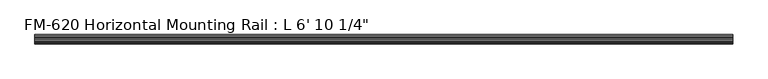
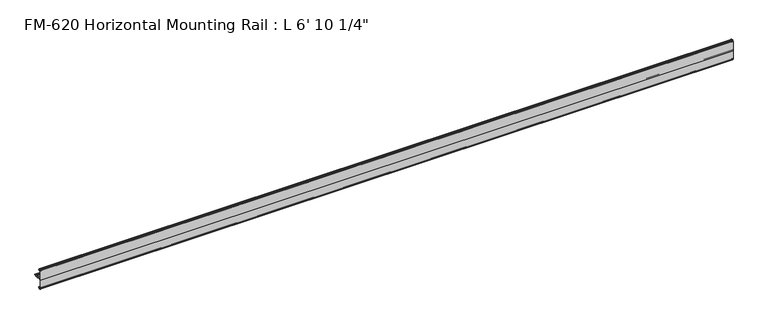
"""IFC4 building model written with IfcOpenShell, lengths in millimetres: proxy geometry."""

from ifc_helpers import new_model, si_unit, frame, origin, place, context, project, spatial, polyline, circle_curve, source, transform, mapped, element, save
from ifc_brep_helpers import plane_surface, cylinder_surface, revolved_surface, advanced_brep


def proxy_751d2241(model_context):
    return source(origin(), model_context, "Body", "AdvancedBrep", [
        advanced_brep(
        [(2089.15, -13.6400687, 32.1158903), (2089.15, -15.4750158, 32.6885982), (2089.15, -16.1549378, 32.2686835), (2089.15, -16.1549378, 30.7270734), (2089.15, -17.7424378, 29.1395734), (2089.15, -19.05, 29.1395734), (2089.15, -19.05, 0.0), (2089.15, -19.05, -27.5520734), (2089.15, -17.7424378, -27.5520734), (2089.15, -16.1549378, -29.1395734), (2089.15, -16.1549378, -30.6811835), (2089.15, -15.4750158, -31.1010982), (2089.15, -13.6400687, -30.5283903), (2089.15, -11.9462301, -29.2063136), (2089.15, -13.6400687, -24.7092369), (2089.15, -15.4364113, -24.1485779), (2089.15, -16.1779173, -24.8263515), (2089.15, -16.9376166, -25.7737928), (2089.15, -17.4625, -25.2660734), (2089.15, -17.4625, -14.0784614), (2089.15, -17.9716639, -13.1610418), (2089.15, -17.9716639, -11.820881), (2089.15, -17.4625, -10.9034614), (2089.15, -17.4625, -1.9277595), (2089.15, -15.5575, -0.0227595), (2089.15, -5.2021324, -0.0227595), (2089.15, -2.0526969, 0.0), (2089.15, 2.484295, 0.0), (2089.15, 5.633895, 0.0), (2089.15, 9.5043031, 0.0), (2089.15, 9.5043031, 1.5948531), (2089.15, 5.633895, 1.5948531), (2089.15, 2.484295, 1.5948531), (2089.15, -2.0525552, 1.5948531), (2089.15, -5.2023289, 1.5948531), (2089.15, -15.5546988, 1.5948531), (2089.15, -17.4681023, 3.5082566), (2089.15, -17.4681023, 12.4909614), (2089.15, -17.9716639, 13.408381), (2089.15, -17.9716639, 14.7485418), (2089.15, -17.4625, 15.6659614), (2089.15, -17.4625, 26.8535734), (2089.15, -16.9376166, 27.3612928), (2089.15, -16.1779173, 26.4138515), (2089.15, -15.4364113, 25.7360779), (2089.15, -13.6400687, 26.2967369), (2089.15, -11.9462301, 30.7938136), (0.0, -13.6400687, 32.1158903), (0.0, -11.9462301, 30.7938136), (0.0, -13.6400687, 26.2967369), (0.0, -15.4364113, 25.7360779), (0.0, -16.1779173, 26.4138515), (0.0, -16.9376166, 27.3612928), (0.0, -17.4625, 26.8535734), (0.0, -17.4625, 15.6659614), (0.0, -17.9716639, 14.7485418), (0.0, -17.9716639, 13.408381), (0.0, -17.4681023, 12.4909614), (0.0, -17.4681023, 3.5082566), (0.0, -15.5546988, 1.5948531), (0.0, -5.2023289, 1.5948531), (0.0, -2.0525552, 1.5948531), (0.0, 2.484295, 1.5948531), (0.0, 5.633895, 1.5948531), (0.0, 9.5043031, 1.5948531), (0.0, 9.5043031, 0.0), (0.0, 5.633895, 0.0), (0.0, 2.484295, 0.0), (0.0, -2.0526969, 0.0), (0.0, -5.2022969, 0.0), (0.0, -15.5575, -0.0227595), (0.0, -17.4625, -1.9277595), (0.0, -17.4625, -10.9034614), (0.0, -17.9716639, -11.820881), (0.0, -17.9716639, -13.1610418), (0.0, -17.4625, -14.0784614), (0.0, -17.4625, -25.2660734), (0.0, -16.9376166, -25.7737928), (0.0, -16.1779173, -24.8263515), (0.0, -15.4364113, -24.1485779), (0.0, -13.6400687, -24.7092369), (0.0, -11.9462301, -29.2063136), (0.0, -13.6400687, -30.5283903), (0.0, -15.4750158, -31.1010982), (0.0, -16.1549378, -30.6811835), (0.0, -16.1549378, -29.1395734), (0.0, -17.7424378, -27.5520734), (0.0, -19.05, -27.5520734), (0.0, -19.05, 0.0), (0.0, -19.05, 29.1395734), (0.0, -17.7424378, 29.1395734), (0.0, -16.1549378, 30.7270734), (0.0, -16.1549378, 32.2686835), (0.0, -15.4750158, 32.6885982)],
        [
            (0, 1),
            (1, 2, circle_curve(frame((2089.15, -15.6853088, 32.2686835), z_axis=(1.0, 0.0, 0.0), x_axis=(0.0, 1.0, 0.0)), 0.4696291)),
            (2, 3),
            (3, 4, circle_curve(frame((2089.15, -17.7424378, 30.7270734), z_axis=(-1.0, 0.0, 0.0), x_axis=(0.0, 1.0, 0.0)), 1.5875)),
            (4, 5),
            (5, 6),
            (6, 7),
            (7, 8),
            (8, 9, circle_curve(frame((2089.15, -17.7424378, -29.1395734), z_axis=(-1.0, 0.0, 0.0), x_axis=(0.0, 1.0, 0.0)), 1.5875)),
            (9, 10),
            (10, 11, circle_curve(frame((2089.15, -15.6853088, -30.6811835), z_axis=(1.0, 0.0, 0.0), x_axis=(0.0, 1.0, 0.0)), 0.4696291)),
            (11, 12),
            (12, 13, circle_curve(frame((2089.15, -14.5481808, -27.6188136), z_axis=(1.0, 0.0, 0.0), x_axis=(0.0, 1.0, 0.0)), 3.048)),
            (13, 14, circle_curve(frame((2089.15, -14.5481808, -27.6188136), z_axis=(1.0, 0.0, 0.0), x_axis=(0.0, 1.0, 0.0)), 3.048)),
            (14, 15),
            (15, 16, circle_curve(frame((2089.15, -15.6245238, -24.6872792), z_axis=(1.0, 0.0, 0.0), x_axis=(0.0, 1.0, 0.0)), 0.5706009)),
            (16, 17, circle_curve(frame((2089.15, -16.9169378, -25.0120734), z_axis=(-1.0, 0.0, 0.0), x_axis=(0.0, 1.0, 0.0)), 0.762)),
            (17, 18, circle_curve(frame((2089.15, -16.9545, -25.2660734), z_axis=(-1.0, 0.0, 0.0), x_axis=(0.0, 1.0, 0.0)), 0.508)),
            (18, 19),
            (19, 20),
            (20, 21),
            (21, 22),
            (22, 23),
            (23, 24, circle_curve(frame((2089.15, -15.5575, -1.9277595), z_axis=(-1.0, 0.0, 0.0), x_axis=(0.0, 1.0, 0.0)), 1.905)),
            (24, 25),
            (25, 26, circle_curve(frame((2089.15, -3.6274969, 0.0), z_axis=(1.0, 0.0, 0.0), x_axis=(0.0, 1.0, 0.0)), 1.5748)),
            (26, 27),
            (27, 28, circle_curve(frame((2089.15, 4.059095, 0.0), z_axis=(1.0, 0.0, 0.0), x_axis=(0.0, 1.0, 0.0)), 1.5748)),
            (28, 29),
            (29, 30),
            (30, 31),
            (31, 32, circle_curve(frame((2089.15, 4.059095, 1.5948531), z_axis=(1.0, 0.0, 0.0), x_axis=(0.0, 1.0, 0.0)), 1.5748)),
            (32, 33),
            (33, 34, circle_curve(frame((2089.15, -3.627442, 1.5948531), z_axis=(1.0, 0.0, 0.0), x_axis=(0.0, 1.0, 0.0)), 1.5748869)),
            (34, 35),
            (35, 36, circle_curve(frame((2089.15, -15.5546988, 3.5082566), z_axis=(-1.0, 0.0, 0.0), x_axis=(0.0, 1.0, 0.0)), 1.9134035)),
            (36, 37),
            (37, 38),
            (38, 39),
            (39, 40),
            (40, 41),
            (41, 42, circle_curve(frame((2089.15, -16.9545, 26.8535734), z_axis=(-1.0, 0.0, 0.0), x_axis=(0.0, 1.0, 0.0)), 0.508)),
            (42, 43, circle_curve(frame((2089.15, -16.9169378, 26.5995734), z_axis=(-1.0, 0.0, 0.0), x_axis=(0.0, 1.0, 0.0)), 0.762)),
            (43, 44, circle_curve(frame((2089.15, -15.6245238, 26.2747792), z_axis=(1.0, 0.0, 0.0), x_axis=(0.0, 1.0, 0.0)), 0.5706009)),
            (44, 45),
            (45, 46, circle_curve(frame((2089.15, -14.5481808, 29.2063136), z_axis=(1.0, 0.0, 0.0), x_axis=(0.0, 1.0, 0.0)), 3.048)),
            (46, 0, circle_curve(frame((2089.15, -14.5481808, 29.2063136), z_axis=(1.0, 0.0, 0.0), x_axis=(0.0, 1.0, 0.0)), 3.048)),
            (47, 48, circle_curve(frame((0.0, -14.5481808, 29.2063136), z_axis=(-1.0, 0.0, 0.0), x_axis=(0.0, 1.0, 0.0)), 3.048)),
            (48, 49, circle_curve(frame((0.0, -14.5481808, 29.2063136), z_axis=(-1.0, 0.0, 0.0), x_axis=(0.0, 1.0, 0.0)), 3.048)),
            (49, 50),
            (50, 51, circle_curve(frame((0.0, -15.6245238, 26.2747792), z_axis=(-1.0, 0.0, 0.0), x_axis=(0.0, 1.0, 0.0)), 0.5706009)),
            (51, 52, circle_curve(frame((0.0, -16.9169378, 26.5995734), z_axis=(1.0, 0.0, 0.0), x_axis=(0.0, 1.0, 0.0)), 0.762)),
            (52, 53, circle_curve(frame((0.0, -16.9545, 26.8535734), z_axis=(1.0, 0.0, 0.0), x_axis=(0.0, 1.0, 0.0)), 0.508)),
            (53, 54),
            (54, 55),
            (55, 56),
            (56, 57),
            (57, 58),
            (58, 59, circle_curve(frame((0.0, -15.5546988, 3.5082566), z_axis=(1.0, 0.0, 0.0), x_axis=(0.0, 1.0, 0.0)), 1.9134035)),
            (59, 60),
            (60, 61, circle_curve(frame((0.0, -3.627442, 1.5948531), z_axis=(-1.0, 0.0, 0.0), x_axis=(0.0, 1.0, 0.0)), 1.5748869)),
            (61, 62),
            (62, 63, circle_curve(frame((0.0, 4.059095, 1.5948531), z_axis=(-1.0, 0.0, 0.0), x_axis=(0.0, 1.0, 0.0)), 1.5748)),
            (63, 64),
            (64, 65),
            (65, 66),
            (66, 67, circle_curve(frame((0.0, 4.059095, 0.0), z_axis=(-1.0, 0.0, 0.0), x_axis=(0.0, 1.0, 0.0)), 1.5748)),
            (67, 68),
            (68, 69, circle_curve(frame((0.0, -3.6274969, 0.0), z_axis=(-1.0, 0.0, 0.0), x_axis=(0.0, 1.0, 0.0)), 1.5748)),
            (69, 70),
            (70, 71, circle_curve(frame((0.0, -15.5575, -1.9277595), z_axis=(1.0, 0.0, 0.0), x_axis=(0.0, 1.0, 0.0)), 1.905)),
            (71, 72),
            (72, 73),
            (73, 74),
            (74, 75),
            (75, 76),
            (76, 77, circle_curve(frame((0.0, -16.9545, -25.2660734), z_axis=(1.0, 0.0, 0.0), x_axis=(0.0, 1.0, 0.0)), 0.508)),
            (77, 78, circle_curve(frame((0.0, -16.9169378, -25.0120734), z_axis=(1.0, 0.0, 0.0), x_axis=(0.0, 1.0, 0.0)), 0.762)),
            (78, 79, circle_curve(frame((0.0, -15.6245238, -24.6872792), z_axis=(-1.0, 0.0, 0.0), x_axis=(0.0, 1.0, 0.0)), 0.5706009)),
            (79, 80),
            (80, 81, circle_curve(frame((0.0, -14.5481808, -27.6188136), z_axis=(-1.0, 0.0, 0.0), x_axis=(0.0, 1.0, 0.0)), 3.048)),
            (81, 82, circle_curve(frame((0.0, -14.5481808, -27.6188136), z_axis=(-1.0, 0.0, 0.0), x_axis=(0.0, 1.0, 0.0)), 3.048)),
            (82, 83),
            (83, 84, circle_curve(frame((0.0, -15.6853088, -30.6811835), z_axis=(-1.0, 0.0, 0.0), x_axis=(0.0, 1.0, 0.0)), 0.4696291)),
            (84, 85),
            (85, 86, circle_curve(frame((0.0, -17.7424378, -29.1395734), z_axis=(1.0, 0.0, 0.0), x_axis=(0.0, 1.0, 0.0)), 1.5875)),
            (86, 87),
            (87, 88),
            (88, 89),
            (89, 90),
            (90, 91, circle_curve(frame((0.0, -17.7424378, 30.7270734), z_axis=(1.0, 0.0, 0.0), x_axis=(0.0, 1.0, 0.0)), 1.5875)),
            (91, 92),
            (92, 93, circle_curve(frame((0.0, -15.6853088, 32.2686835), z_axis=(-1.0, 0.0, 0.0), x_axis=(0.0, 1.0, 0.0)), 0.4696291)),
            (93, 47),
            (93, 1),
            (0, 47),
            (92, 2),
            (91, 3),
            (90, 4),
            (89, 5),
            (88, 6),
            (58, 36),
            (35, 59),
            (57, 37),
            (56, 38),
            (55, 39),
            (54, 40),
            (53, 41),
            (52, 42),
            (51, 43),
            (50, 44),
            (49, 45),
            (48, 46),
            (61, 33),
            (32, 62),
            (87, 7),
            (86, 8),
            (85, 9),
            (84, 10),
            (83, 11),
            (82, 12),
            (81, 13),
            (80, 14),
            (79, 15),
            (78, 16),
            (77, 17),
            (76, 18),
            (75, 19),
            (74, 20),
            (73, 21),
            (72, 22),
            (71, 23),
            (70, 24),
            (69, 25),
            (67, 27),
            (26, 68),
            (34, 60),
            (66, 28),
            (65, 29),
            (64, 30),
            (63, 31),
        ],
        [
            plane_surface(frame((2089.15, -13.6400687, 32.1158903), z_axis=(1.0000000000000002, 0.0, 0.0), x_axis=(0.0, 0.9545855229405112, -0.29793703930929905))),
            plane_surface(frame((0.0, -13.6400687, 32.1158903), z_axis=(-1.0000000000000002, 0.0, 0.0), x_axis=(0.0, -0.9545855229405112, 0.29793703930929905))),
            plane_surface(frame((0.0, -13.6400687, 32.1158903), z_axis=(0.0, 0.29793703930929905, 0.9545855229405112), x_axis=(1.0, 0.0, 0.0))),
            cylinder_surface(frame((2089.15, -15.6853088, 32.2686835), z_axis=(-1.0, 0.0, 0.0), x_axis=(0.0, 1.0, 0.0)), 0.4696291),
            plane_surface(frame((0.0, -16.1549378, 32.2686835), z_axis=(0.0, -1.0, 0.0), x_axis=(1.0, 0.0, 0.0))),
            revolved_surface(polyline([(2089.15, -16.154937800000003, 30.7270734), (0.0, -16.154937800000003, 30.7270734)]), (2089.15, -17.7424378, 30.7270734), (1.0, 0.0, 0.0)),
            plane_surface(frame((0.0, -17.7424378, 29.1395734), z_axis=(0.0, 0.0, 1.0), x_axis=(1.0, 0.0, 0.0))),
            plane_surface(frame((0.0, -19.05, 29.1395734), z_axis=(0.0, -1.0, 0.0), x_axis=(1.0, 0.0, 0.0))),
            revolved_surface(polyline([(2089.15, -13.641295300000001, 3.5082566), (0.0, -13.641295300000001, 3.5082566)]), (2089.15, -15.5546988, 3.5082566), (1.0, 0.0, 0.0)),
            plane_surface(frame((0.0, -17.4681023, 3.5082566), z_axis=(0.0, 1.0, 0.0), x_axis=(1.0, 0.0, 0.0))),
            plane_surface(frame((0.0, -17.4681023, 12.4909614), z_axis=(0.0, 0.8766268538755736, 0.48117082108562426), x_axis=(1.0, 0.0, 0.0))),
            plane_surface(frame((0.0, -17.9716639, 13.408381), z_axis=(0.0, 1.0, 0.0), x_axis=(1.0, 0.0, 0.0))),
            plane_surface(frame((0.0, -17.9716639, 14.7485418), z_axis=(0.0, 0.8743650453416105, -0.4852687579937157), x_axis=(1.0, 0.0, 0.0))),
            plane_surface(frame((0.0, -17.4625, 15.6659614), z_axis=(0.0, 1.0, 0.0), x_axis=(1.0, 0.0, 0.0))),
            revolved_surface(polyline([(2089.15, -16.4465, 26.8535734), (0.0, -16.4465, 26.8535734)]), (2089.15, -16.9545, 26.8535734), (1.0, 0.0, 0.0)),
            revolved_surface(polyline([(2089.15, -16.1549378, 26.5995734), (0.0, -16.1549378, 26.5995734)]), (2089.15, -16.9169378, 26.5995734), (1.0, 0.0, 0.0)),
            cylinder_surface(frame((2089.15, -15.6245238, 26.2747792), z_axis=(-1.0, 0.0, 0.0), x_axis=(0.0, 1.0, 0.0)), 0.5706009),
            plane_surface(frame((0.0, -15.4364113, 25.7360779), z_axis=(0.0, 0.2979370393101009, -0.9545855229402609), x_axis=(1.0, 0.0, 0.0))),
            cylinder_surface(frame((2089.15, -14.5481808, 29.2063136), z_axis=(-1.0, 0.0, 0.0), x_axis=(0.0, 1.0, 0.0)), 3.048),
            plane_surface(frame((0.0, 2.484295, 1.5948531), z_axis=(0.0, 0.0, 1.0), x_axis=(1.0, 0.0, 0.0))),
            plane_surface(frame((0.0, -19.05, 0.0), z_axis=(0.0, -1.0, 0.0), x_axis=(1.0, 0.0, 0.0))),
            plane_surface(frame((0.0, -19.05, -27.5520734), z_axis=(0.0, 0.0, -1.0), x_axis=(1.0, 0.0, 0.0))),
            revolved_surface(polyline([(2089.15, -16.154937800000003, -29.1395734), (0.0, -16.154937800000003, -29.1395734)]), (2089.15, -17.7424378, -29.1395734), (1.0, 0.0, 0.0)),
            plane_surface(frame((0.0, -16.1549378, -29.1395734), z_axis=(0.0, -1.0, 0.0), x_axis=(1.0, 0.0, 0.0))),
            cylinder_surface(frame((2089.15, -15.6853088, -30.6811835), z_axis=(-1.0, 0.0, 0.0), x_axis=(0.0, 1.0, 0.0)), 0.4696291),
            plane_surface(frame((0.0, -15.4750158, -31.1010982), z_axis=(0.0, 0.2979370393090683, -0.9545855229405833), x_axis=(1.0, 0.0, 0.0))),
            cylinder_surface(frame((2089.15, -14.5481808, -27.6188136), z_axis=(-1.0, 0.0, 0.0), x_axis=(0.0, 1.0, 0.0)), 3.048),
            plane_surface(frame((0.0, -13.6400687, -24.7092369), z_axis=(0.0, 0.2979370393424987, 0.9545855229301492), x_axis=(1.0, 0.0, 0.0))),
            cylinder_surface(frame((2089.15, -15.6245238, -24.6872792), z_axis=(-1.0, 0.0, 0.0), x_axis=(0.0, 1.0, 0.0)), 0.5706009),
            revolved_surface(polyline([(2089.15, -16.1549378, -25.0120734), (0.0, -16.1549378, -25.0120734)]), (2089.15, -16.9169378, -25.0120734), (1.0, 0.0, 0.0)),
            revolved_surface(polyline([(2089.15, -16.4465, -25.2660734), (0.0, -16.4465, -25.2660734)]), (2089.15, -16.9545, -25.2660734), (1.0, 0.0, 0.0)),
            plane_surface(frame((0.0, -17.4625, -25.2660734), z_axis=(0.0, 1.0, 0.0), x_axis=(1.0, 0.0, 0.0))),
            plane_surface(frame((0.0, -17.4625, -14.0784614), z_axis=(0.0, 0.8743650443696134, 0.48526875974507594), x_axis=(1.0, 0.0, 0.0))),
            plane_surface(frame((0.0, -17.9716639, -13.1610418), z_axis=(0.0, 1.0, 0.0), x_axis=(1.0, 0.0, 0.0))),
            plane_surface(frame((0.0, -17.9716639, -11.820881), z_axis=(0.0, 0.8743650440122003, -0.48526876038906863), x_axis=(1.0, 0.0, 0.0))),
            plane_surface(frame((0.0, -17.4625, -10.9034614), z_axis=(0.0, 1.0, 0.0), x_axis=(1.0, 0.0, 0.0))),
            revolved_surface(polyline([(2089.15, -13.6525, -1.9277595), (0.0, -13.6525, -1.9277595)]), (2089.15, -15.5575, -1.9277595), (1.0, 0.0, 0.0)),
            plane_surface(frame((0.0, -15.5575, -0.0227595), z_axis=(0.0, 0.0, -1.0), x_axis=(1.0, 0.0, 0.0))),
            plane_surface(frame((0.0, -2.0526969, 0.0), z_axis=(0.0, 0.0, -1.0), x_axis=(1.0, 0.0, 0.0))),
            plane_surface(frame((0.0, -5.2023289, 1.5948531), z_axis=(0.0, 0.0, 1.0), x_axis=(1.0, 0.0, 0.0))),
            cylinder_surface(frame((2089.15, -3.6274969, 0.0), z_axis=(-1.0, 0.0, 0.0), x_axis=(0.0, 1.0, 0.0)), 1.5748),
            cylinder_surface(frame((2089.15, 4.059095, 0.0), z_axis=(-1.0, 0.0, 0.0), x_axis=(0.0, 1.0, 0.0)), 1.5748),
            plane_surface(frame((0.0, 5.633895, 0.0), z_axis=(0.0, 0.0, -1.0), x_axis=(1.0, 0.0, 0.0))),
            plane_surface(frame((0.0, 9.5043031, 0.0), z_axis=(0.0, 1.0, 0.0), x_axis=(1.0, 0.0, 0.0))),
            plane_surface(frame((0.0, 9.5043031, 1.5948531), z_axis=(0.0, 0.0, 1.0), x_axis=(1.0, 0.0, 0.0))),
            cylinder_surface(frame((2089.15, 4.059095, 1.5948531), z_axis=(-1.0, 0.0, 0.0), x_axis=(0.0, 1.0, 0.0)), 1.5748),
            cylinder_surface(frame((2089.15, -3.627442, 1.5948531), z_axis=(-1.0, 0.0, 0.0), x_axis=(0.0, 1.0, 0.0)), 1.5748869),
        ],
        [
            (0, [[1, 2, 3, 4, 5, 6, 7, 8, 9, 10, 11, 12, 13, 14, 15, 16, 17, 18, 19, 20, 21, 22, 23, 24, 25, 26, 27, 28, 29, 30, 31, 32, 33, 34, 35, 36, 37, 38, 39, 40, 41, 42, 43, 44, 45, 46, 47]]),
            (1, [[48, 49, 50, 51, 52, 53, 54, 55, 56, 57, 58, 59, 60, 61, 62, 63, 64, 65, 66, 67, 68, 69, 70, 71, 72, 73, 74, 75, 76, 77, 78, 79, 80, 81, 82, 83, 84, 85, 86, 87, 88, 89, 90, 91, 92, 93, 94]]),
            (2, [[95, -1, 96, -94]]),
            (3, [[97, -2, -95, -93]]),
            (4, [[98, -3, -97, -92]]),
            (5, [[99, -4, -98, -91]]),
            (6, [[100, -5, -99, -90]]),
            (7, [[101, -6, -100, -89]]),
            (8, [[102, -36, 103, -59]]),
            (9, [[104, -37, -102, -58]]),
            (10, [[105, -38, -104, -57]]),
            (11, [[106, -39, -105, -56]]),
            (12, [[107, -40, -106, -55]]),
            (13, [[108, -41, -107, -54]]),
            (14, [[109, -42, -108, -53]]),
            (15, [[110, -43, -109, -52]]),
            (16, [[111, -44, -110, -51]]),
            (17, [[112, -45, -111, -50]]),
            (18, [[113, -46, -112, -49]]),
            (18, [[-96, -47, -113, -48]]),
            (19, [[114, -33, 115, -62]]),
            (20, [[116, -7, -101, -88]]),
            (21, [[117, -8, -116, -87]]),
            (22, [[118, -9, -117, -86]]),
            (23, [[119, -10, -118, -85]]),
            (24, [[120, -11, -119, -84]]),
            (25, [[121, -12, -120, -83]]),
            (26, [[122, -13, -121, -82]]),
            (26, [[123, -14, -122, -81]]),
            (27, [[124, -15, -123, -80]]),
            (28, [[125, -16, -124, -79]]),
            (29, [[126, -17, -125, -78]]),
            (30, [[127, -18, -126, -77]]),
            (31, [[128, -19, -127, -76]]),
            (32, [[129, -20, -128, -75]]),
            (33, [[130, -21, -129, -74]]),
            (34, [[131, -22, -130, -73]]),
            (35, [[132, -23, -131, -72]]),
            (36, [[133, -24, -132, -71]]),
            (37, [[134, -25, -133, -70]]),
            (38, [[135, -27, 136, -68]]),
            (39, [[-103, -35, 137, -60]]),
            (40, [[-136, -26, -134, -69]]),
            (41, [[138, -28, -135, -67]]),
            (42, [[139, -29, -138, -66]]),
            (43, [[140, -30, -139, -65]]),
            (44, [[141, -31, -140, -64]]),
            (45, [[-115, -32, -141, -63]]),
            (46, [[-137, -34, -114, -61]]),
        ],
    ),
    ])


if __name__ == "__main__":
    model = new_model("IFC4")
    model_context = context("Model", 3, world=origin())
    ifc_project = project(units=[si_unit("LENGTHUNIT", "METRE", prefix="MILLI")], contexts=[model_context])
    site = spatial("IfcSite", under=ifc_project)
    building = spatial("IfcBuilding", under=site)
    placement = place(None, origin())
    proxy_shape = proxy_751d2241(model_context)
    element("IfcBuildingElementProxy", 1, Name="FM-620 Horizontal Mounting Rail : L 6' 10 1/4\"", ObjectType="FM-620 Horizontal Mounting Rail : L 6' 10 1/4\"", at=placement, inside=building, context=model_context, shape_type="MappedRepresentation", body=[
        mapped(proxy_shape, transform((0.0, 0.0, 0.0), x_axis=(1.0, 0.0, 0.0), y_axis=(0.0, 1.0, 0.0), z_axis=(0.0, 0.0, 1.0))),
    ])
    save(model, "model.ifc")
